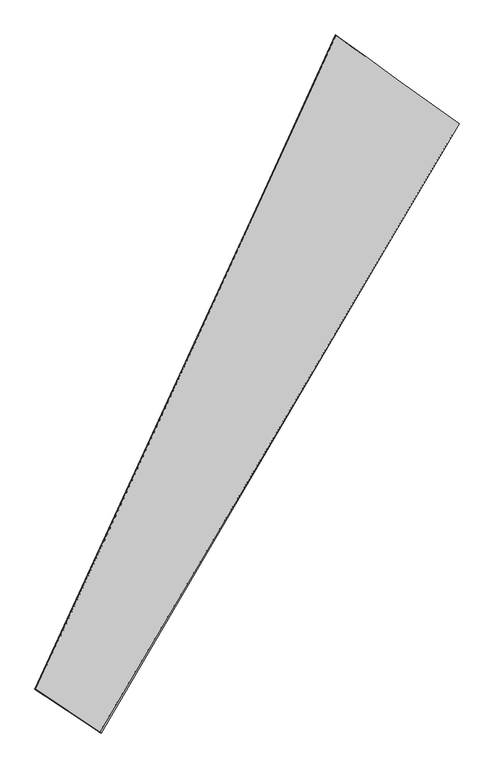
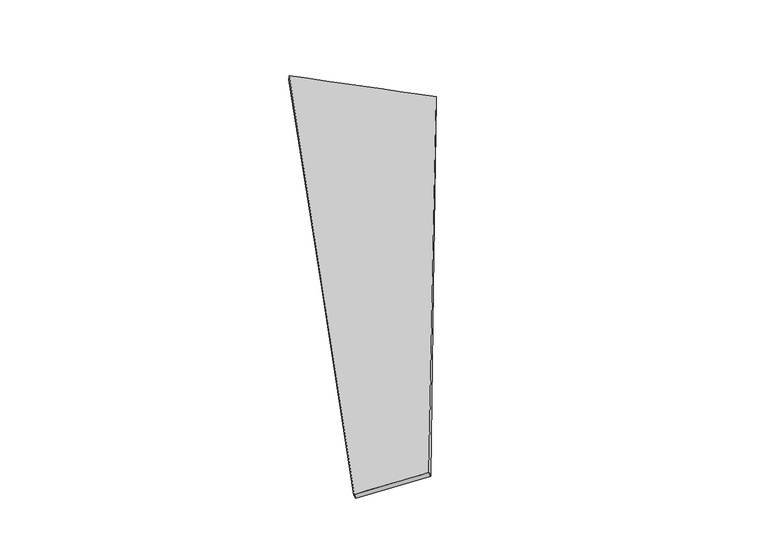
"""IFC4 building model written with IfcOpenShell, lengths in millimetres: proxy geometry."""

import ifcopenshell
import ifcopenshell.guid

model = None  # the IFC model being written
_history = None  # IfcOwnerHistory: only IFC2X3 demands one
_inside = {}  # id of a spatial element -> (the spatial element, [elements in it])
_under = {}  # id of a project, library or spatial element -> (it, [spatial elements below it])
_declared = {}  # id of a project -> (the project, [libraries it declares])
_typed = {}  # id of a type object -> (the type object, [elements of that type])
_made_of = {}  # id of a material, layer set ... -> (it, [elements and type objects made of it])


def new_model(schema):
    """Start an empty IFC model of exactly this schema.

    Asked for "IFC4X3", IfcOpenShell would pick the latest addendum, in which some entities
    have other attributes; the version numbers below select the first issue.
    IFC2X3 requires an IfcOwnerHistory on every rooted entity: one is made here for all.
    """
    global model, _history
    if schema == "IFC4X3":
        model = ifcopenshell.file(schema_version=(4, 3, 0, 0))
    else:
        model = ifcopenshell.file(schema=schema)
    _inside.clear()
    _under.clear()
    _declared.clear()
    _typed.clear()
    _made_of.clear()
    _history = None
    if model.schema == "IFC2X3":
        org = make("IfcOrganization", Name="unknown")
        user = make(
            "IfcPersonAndOrganization",
            ThePerson=make("IfcPerson", FamilyName="unknown"),
            TheOrganization=org,
        )
        app = make(
            "IfcApplication",
            ApplicationDeveloper=org,
            Version="unknown",
            ApplicationFullName="unknown",
            ApplicationIdentifier="unknown",
        )
        _history = make(
            "IfcOwnerHistory",
            OwningUser=user,
            OwningApplication=app,
            ChangeAction="ADDED",
            CreationDate=0,
        )
    return model


def make(cls, **values):
    """One entity of the class cls with the attributes given. An attribute that is None is left unset."""
    return model.create_entity(
        cls, **{name: value for name, value in values.items() if value is not None}
    )


def rooted(cls, **values):
    """An entity with a GlobalId (a new one), such as an element, a storey or a relation."""
    return make(cls, GlobalId=ifcopenshell.guid.new(), OwnerHistory=_history, **values)


def si_unit(unit_type, name, prefix=None):
    """IfcSIUnit, for example si_unit("LENGTHUNIT", "METRE", prefix="MILLI")."""
    return make("IfcSIUnit", UnitType=unit_type, Prefix=prefix, Name=name)


def assignment(units):
    """IfcUnitAssignment: the units of a project."""
    return None if units is None else make("IfcUnitAssignment", Units=units)


def point(xyz):
    """IfcCartesianPoint."""
    return None if xyz is None else make("IfcCartesianPoint", Coordinates=xyz)


def direction(xyz):
    """IfcDirection."""
    return None if xyz is None else make("IfcDirection", DirectionRatios=xyz)


def frame(location, z_axis=None, x_axis=None):
    """IfcAxis2Placement3D, a coordinate frame: its origin and axes. An axis left out is left unset."""
    return make(
        "IfcAxis2Placement3D",
        Location=point(location),
        Axis=direction(z_axis),
        RefDirection=direction(x_axis),
    )


def origin():
    """The frame at (0, 0, 0) with its axes left unset."""
    return frame((0.0, 0.0, 0.0))


def place(relative_to, where):
    """IfcLocalPlacement: puts the frame where relative to a parent placement (None: the world)."""
    return make(
        "IfcLocalPlacement", PlacementRelTo=relative_to, RelativePlacement=where
    )


def context(
    kind, dimensions, precision=None, world=None, true_north=None, identifier=None
):
    """IfcGeometricRepresentationContext, for example the 3D "Model" context."""
    return make(
        "IfcGeometricRepresentationContext",
        ContextIdentifier=identifier,
        ContextType=kind,
        CoordinateSpaceDimension=dimensions,
        Precision=precision,
        WorldCoordinateSystem=world,
        TrueNorth=true_north,
    )


def project(units=None, contexts=None):
    """IfcProject with its units and contexts."""
    return rooted(
        "IfcProject",
        Name="project",
        RepresentationContexts=contexts,
        UnitsInContext=assignment(units),
    )


def spatial(cls, under=None, at=None, **own):
    """A site, building, storey or space (cls), placed at a placement, below another one or the project."""
    s = rooted(cls, ObjectPlacement=at, **own)
    if under is not None:
        _under.setdefault(under.id(), (under, []))[1].append(s)
    return s


def shape(context_of_items, identifier, shape_type, items):
    """IfcShapeRepresentation: the items that make up one representation, for example the "Body"."""
    return make(
        "IfcShapeRepresentation",
        ContextOfItems=context_of_items,
        RepresentationIdentifier=identifier,
        RepresentationType=shape_type,
        Items=items,
    )


def source(mapping_origin, context_of_items, identifier, shape_type, items):
    """IfcRepresentationMap: a shape defined once, which mapped items show again and again."""
    return make(
        "IfcRepresentationMap",
        MappingOrigin=mapping_origin,
        MappedRepresentation=shape(context_of_items, identifier, shape_type, items),
    )


def transform(
    local_origin,
    x_axis=None,
    y_axis=None,
    z_axis=None,
    scale=None,
    scale2=None,
    scale3=None,
    uniform=True,
):
    """IfcCartesianTransformationOperator3D, or its non-uniform kind. x_axis, y_axis, z_axis: its Axis1, 2, 3."""
    if uniform:
        return make(
            "IfcCartesianTransformationOperator3D",
            Axis1=direction(x_axis),
            Axis2=direction(y_axis),
            LocalOrigin=point(local_origin),
            Scale=scale,
            Axis3=direction(z_axis),
        )
    return make(
        "IfcCartesianTransformationOperator3DnonUniform",
        Axis1=direction(x_axis),
        Axis2=direction(y_axis),
        LocalOrigin=point(local_origin),
        Scale=scale,
        Axis3=direction(z_axis),
        Scale2=scale2,
        Scale3=scale3,
    )


def mapped(mapping_source, mapping_target):
    """IfcMappedItem: shows the shape of a source again, moved by a transform."""
    return make(
        "IfcMappedItem", MappingSource=mapping_source, MappingTarget=mapping_target
    )


def made_of(thing, what):
    """Note that an element or type object is made of a material, layer set ...; save() writes the relation."""
    if what is not None:
        _made_of.setdefault(what.id(), (what, []))[1].append(thing)
    return thing


def element(
    cls,
    number,
    at=None,
    inside=None,
    cuts=None,
    type_object=None,
    material=None,
    context=None,
    identifier="Body",
    shape_type=None,
    held_by="IfcProductDefinitionShape",
    body=None,
    shapes=None,
    **own,
):
    """One element of the class cls, such as IfcWall. Its Tag is "e" and its number.

    at: its placement. inside: the storey or other place that contains it. cuts: it is an
    opening in that element (IfcRelVoidsElement). A single representation is given by context,
    identifier, shape_type and body (its items); several are given by shapes. held_by: the class
    of the entity that holds the representations. save() writes the other relations.
    """
    e = rooted(cls, Tag="e%d" % number, ObjectPlacement=at, **own)
    if body is not None:
        shapes = [shape(context, identifier, shape_type, body)]
    if shapes is not None:
        e.Representation = make(held_by, Representations=shapes)
    if inside is not None:
        _inside.setdefault(inside.id(), (inside, []))[1].append(e)
    if cuts is not None:
        rooted(
            "IfcRelVoidsElement", RelatingBuildingElement=cuts, RelatedOpeningElement=e
        )
    if type_object is not None:
        _typed.setdefault(type_object.id(), (type_object, []))[1].append(e)
    return made_of(e, material)


def aggregate(whole, parts):
    """IfcRelAggregates: a whole, such as a stair, and the parts it consists of."""
    return rooted("IfcRelAggregates", RelatingObject=whole, RelatedObjects=parts)


def save(model, path):
    """Write the relations noted so far, then the file.

    IfcRelAggregates (storeys below a building ...), IfcRelContainedInSpatialStructure (elements
    in a storey), IfcRelDefinesByType, IfcRelAssociatesMaterial and IfcRelDeclares: one each for
    every whole, place, type object, material and project.
    """
    for whole, parts in _under.values():
        aggregate(whole, parts)
    for where, things in _inside.values():
        rooted(
            "IfcRelContainedInSpatialStructure",
            RelatedElements=things,
            RelatingStructure=where,
        )
    for kind, things in _typed.values():
        rooted("IfcRelDefinesByType", RelatedObjects=things, RelatingType=kind)
    for what, things in _made_of.values():
        rooted("IfcRelAssociatesMaterial", RelatedObjects=things, RelatingMaterial=what)
    for by, libraries in _declared.values():
        rooted("IfcRelDeclares", RelatingContext=by, RelatedDefinitions=libraries)
    model.write(path)


def spline_surface(u_degree, v_degree, points, u_multiplicities, v_multiplicities, u_knots, v_knots, weights=None):
    """IfcBSplineSurfaceWithKnots; with weights, IfcRationalBSplineSurfaceWithKnots. points: one row for each step in u."""
    own = dict(
        UDegree=u_degree,
        VDegree=v_degree,
        ControlPointsList=[[point(p) for p in row] for row in points],
        SurfaceForm="UNSPECIFIED",
        UClosed=False,
        VClosed=False,
        SelfIntersect=False,
        UMultiplicities=u_multiplicities,
        VMultiplicities=v_multiplicities,
        UKnots=u_knots,
        VKnots=v_knots,
        KnotSpec="UNSPECIFIED",
    )
    if weights is None:
        return make("IfcBSplineSurfaceWithKnots", **own)
    return make("IfcRationalBSplineSurfaceWithKnots", WeightsData=weights, **own)


def advanced_brep(points, edges, surfaces, faces):
    """IfcAdvancedBrep: a solid bounded by faces that lie on surfaces and meet in shared edges.

    An edge is (start, end): straight between two places in points (the first is 0);
    or (start, end, curve); or (start, end, curve, False) where it runs against its curve.
    A face is (place in surfaces, loops), or (place, loops, False) where it looks against
    its surface's normal. A loop lists edges by number (the first is 1), with a minus sign
    where the edge is run from its end to its start. The first loop is the outer one.
    """
    corners = [point(p) for p in points]
    vertices = [make("IfcVertexPoint", VertexGeometry=c) for c in corners]
    made = []
    for start, end, *more in edges:
        made.append(
            make(
                "IfcEdgeCurve",
                EdgeStart=vertices[start],
                EdgeEnd=vertices[end],
                EdgeGeometry=more[0] if more else make("IfcPolyline", Points=[corners[start], corners[end]]),
                SameSense=more[1] if len(more) > 1 else True,
            )
        )
    hull = []
    for where, loops, *sense in faces:
        bounds = []
        for j, loop in enumerate(loops):
            ring = [make("IfcOrientedEdge", EdgeElement=made[abs(k) - 1], Orientation=k > 0) for k in loop]
            bounds.append(
                make(
                    "IfcFaceOuterBound" if j == 0 else "IfcFaceBound",
                    Bound=make("IfcEdgeLoop", EdgeList=ring),
                    Orientation=True,
                )
            )
        hull.append(make("IfcAdvancedFace", Bounds=bounds, FaceSurface=surfaces[where], SameSense=sense[0] if sense else True))
    return make("IfcAdvancedBrep", Outer=make("IfcClosedShell", CfsFaces=hull))


def generic_models_7a4ca690(model_context):
    return source(origin(), model_context, "Body", "AdvancedBrep", [
        advanced_brep(
        [(-680.4888752, -1723.9051506, 89.2982348), (-672.2096225, -1729.9104745, 61.0955743), (1361.4484119, 1730.9454353, -75.8171687), (1364.3326327, 1730.4071536, -45.960988), (-1036.4344939, -1484.6746078, -116.2566226), (661.3844009, 2236.1870776, 15.8108613), (-1048.0135631, -1480.3266336, -88.9249509), (664.1698056, 2233.8246306, 45.5877041)],
        [
            (0, 1),
            (1, 2),
            (2, 3),
            (3, 0),
            (1, 4),
            (4, 5),
            (5, 2),
            (4, 6),
            (6, 7),
            (7, 5),
            (6, 0),
            (3, 7),
        ],
        [
            spline_surface(1, 1, [[(-680.4888752, -1723.9051506, 89.2982348), (1364.3326327, 1730.4071536, -45.960988)], [(-672.2096225, -1729.9104745, 61.0955743), (1361.4484119, 1730.9454353, -75.8171687)]], [2, 2], [2, 2], [0.0, 1.0], [0.0, 1.0]),
            spline_surface(1, 1, [[(-672.2096225, -1729.9104745, 61.0955743), (1361.4484119, 1730.9454353, -75.8171687)], [(-1036.4344939, -1484.6746078, -116.2566226), (661.3844009, 2236.1870776, 15.8108613)]], [2, 2], [2, 2], [0.0, 1.0], [0.0, 1.0]),
            spline_surface(1, 1, [[(-1036.4344939, -1484.6746078, -116.2566226), (661.3844009, 2236.1870776, 15.8108613)], [(-1048.0135631, -1480.3266336, -88.9249509), (664.1698056, 2233.8246306, 45.5877041)]], [2, 2], [2, 2], [0.0, 1.0], [0.0, 1.0]),
            spline_surface(1, 1, [[(-1048.0135631, -1480.3266336, -88.9249509), (664.1698056, 2233.8246306, 45.5877041)], [(-680.4888752, -1723.9051506, 89.2982348), (1364.3326327, 1730.4071536, -45.960988)]], [2, 2], [2, 2], [0.0, 1.0], [0.0, 1.0]),
            spline_surface(1, 1, [[(1361.4484119, 1730.9454353, -75.8171687), (1364.3326327, 1730.4071536, -45.960988)], [(661.3844009, 2236.1870776, 15.8108613), (664.1698056, 2233.8246306, 45.5877041)]], [2, 2], [2, 2], [0.0, 1.0], [0.0, 1.0]),
            spline_surface(1, 1, [[(-1048.0135631, -1480.3266336, -88.9249509), (-680.4888752, -1723.9051506, 89.2982348)], [(-1036.4344939, -1484.6746078, -116.2566226), (-672.2096225, -1729.9104745, 61.0955743)]], [2, 2], [2, 2], [0.0, 1.0], [0.0, 1.0]),
        ],
        [
            (0, [[1, 2, 3, 4]]),
            (1, [[5, 6, 7, -2]]),
            (2, [[8, 9, 10, -6]]),
            (3, [[11, -4, 12, -9]]),
            (4, [[-3, -7, -10, -12]]),
            (5, [[-11, -8, -5, -1]]),
        ],
    ),
    ])


if __name__ == "__main__":
    model = new_model("IFC4")
    model_context = context("Model", 3, world=origin())
    ifc_project = project(units=[si_unit("LENGTHUNIT", "METRE", prefix="MILLI")], contexts=[model_context])
    site = spatial("IfcSite", under=ifc_project)
    building = spatial("IfcBuilding", under=site)
    placement = place(None, origin())
    generic_models_shape = generic_models_7a4ca690(model_context)
    element("IfcBuildingElementProxy", 1, Name="Generic Models", at=placement, inside=building, context=model_context, shape_type="MappedRepresentation", body=[
        mapped(generic_models_shape, transform((0.0, 0.0, 0.0), x_axis=(1.0, 0.0, 0.0), y_axis=(0.0, 1.0, 0.0), z_axis=(0.0, 0.0, 1.0))),
    ])
    save(model, "model.ifc")
